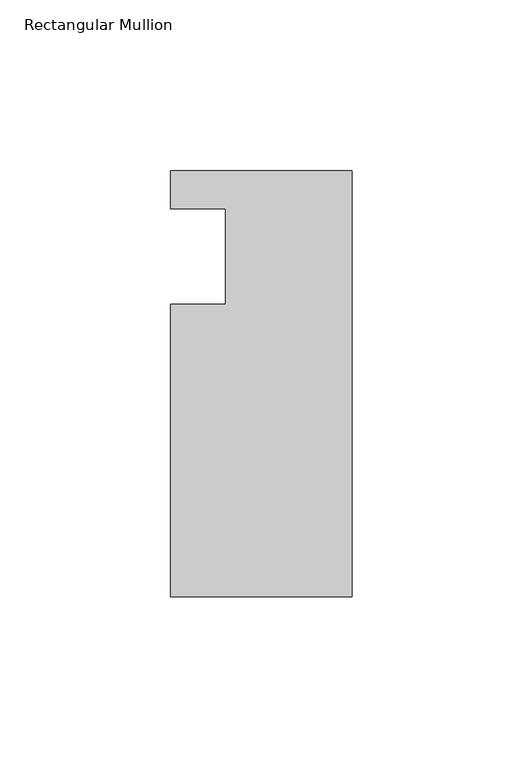
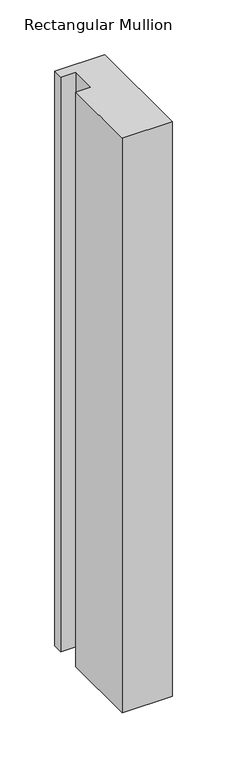
"""IFC4 building model written with IfcOpenShell, lengths in millimetres: member geometry, Rectangular Mullion."""

import ifcopenshell
import ifcopenshell.guid

model = None  # the IFC model being written
_history = None  # IfcOwnerHistory: only IFC2X3 demands one
_inside = {}  # id of a spatial element -> (the spatial element, [elements in it])
_under = {}  # id of a project, library or spatial element -> (it, [spatial elements below it])
_declared = {}  # id of a project -> (the project, [libraries it declares])
_typed = {}  # id of a type object -> (the type object, [elements of that type])
_made_of = {}  # id of a material, layer set ... -> (it, [elements and type objects made of it])


def new_model(schema):
    """Start an empty IFC model of exactly this schema.

    Asked for "IFC4X3", IfcOpenShell would pick the latest addendum, in which some entities
    have other attributes; the version numbers below select the first issue.
    IFC2X3 requires an IfcOwnerHistory on every rooted entity: one is made here for all.
    """
    global model, _history
    if schema == "IFC4X3":
        model = ifcopenshell.file(schema_version=(4, 3, 0, 0))
    else:
        model = ifcopenshell.file(schema=schema)
    _inside.clear()
    _under.clear()
    _declared.clear()
    _typed.clear()
    _made_of.clear()
    _history = None
    if model.schema == "IFC2X3":
        org = make("IfcOrganization", Name="unknown")
        user = make(
            "IfcPersonAndOrganization",
            ThePerson=make("IfcPerson", FamilyName="unknown"),
            TheOrganization=org,
        )
        app = make(
            "IfcApplication",
            ApplicationDeveloper=org,
            Version="unknown",
            ApplicationFullName="unknown",
            ApplicationIdentifier="unknown",
        )
        _history = make(
            "IfcOwnerHistory",
            OwningUser=user,
            OwningApplication=app,
            ChangeAction="ADDED",
            CreationDate=0,
        )
    return model


def make(cls, **values):
    """One entity of the class cls with the attributes given. An attribute that is None is left unset."""
    return model.create_entity(
        cls, **{name: value for name, value in values.items() if value is not None}
    )


def rooted(cls, **values):
    """An entity with a GlobalId (a new one), such as an element, a storey or a relation."""
    return make(cls, GlobalId=ifcopenshell.guid.new(), OwnerHistory=_history, **values)


def si_unit(unit_type, name, prefix=None):
    """IfcSIUnit, for example si_unit("LENGTHUNIT", "METRE", prefix="MILLI")."""
    return make("IfcSIUnit", UnitType=unit_type, Prefix=prefix, Name=name)


def assignment(units):
    """IfcUnitAssignment: the units of a project."""
    return None if units is None else make("IfcUnitAssignment", Units=units)


def point(xyz):
    """IfcCartesianPoint."""
    return None if xyz is None else make("IfcCartesianPoint", Coordinates=xyz)


def direction(xyz):
    """IfcDirection."""
    return None if xyz is None else make("IfcDirection", DirectionRatios=xyz)


def frame(location, z_axis=None, x_axis=None):
    """IfcAxis2Placement3D, a coordinate frame: its origin and axes. An axis left out is left unset."""
    return make(
        "IfcAxis2Placement3D",
        Location=point(location),
        Axis=direction(z_axis),
        RefDirection=direction(x_axis),
    )


def origin():
    """The frame at (0, 0, 0) with its axes left unset."""
    return frame((0.0, 0.0, 0.0))


def place(relative_to, where):
    """IfcLocalPlacement: puts the frame where relative to a parent placement (None: the world)."""
    return make(
        "IfcLocalPlacement", PlacementRelTo=relative_to, RelativePlacement=where
    )


def context(
    kind, dimensions, precision=None, world=None, true_north=None, identifier=None
):
    """IfcGeometricRepresentationContext, for example the 3D "Model" context."""
    return make(
        "IfcGeometricRepresentationContext",
        ContextIdentifier=identifier,
        ContextType=kind,
        CoordinateSpaceDimension=dimensions,
        Precision=precision,
        WorldCoordinateSystem=world,
        TrueNorth=true_north,
    )


def project(units=None, contexts=None):
    """IfcProject with its units and contexts."""
    return rooted(
        "IfcProject",
        Name="project",
        RepresentationContexts=contexts,
        UnitsInContext=assignment(units),
    )


def spatial(cls, under=None, at=None, **own):
    """A site, building, storey or space (cls), placed at a placement, below another one or the project."""
    s = rooted(cls, ObjectPlacement=at, **own)
    if under is not None:
        _under.setdefault(under.id(), (under, []))[1].append(s)
    return s


def polyline(points):
    """IfcPolyline through the points."""
    return make("IfcPolyline", Points=[point(p) for p in points])


def outline(outer, holes=None, kind="AREA"):
    """IfcArbitraryClosedProfileDef: a profile drawn as a closed curve; with holes, ...WithVoids."""
    if holes is None:
        return make("IfcArbitraryClosedProfileDef", ProfileType=kind, OuterCurve=outer)
    return make(
        "IfcArbitraryProfileDefWithVoids",
        ProfileType=kind,
        OuterCurve=outer,
        InnerCurves=holes,
    )


def extrude(swept, where, along, depth):
    """IfcExtrudedAreaSolid: the profile swept, set in the frame where, extruded along a direction by depth."""
    return make(
        "IfcExtrudedAreaSolid",
        SweptArea=swept,
        Position=where,
        ExtrudedDirection=direction(along),
        Depth=depth,
    )


def shape(context_of_items, identifier, shape_type, items):
    """IfcShapeRepresentation: the items that make up one representation, for example the "Body"."""
    return make(
        "IfcShapeRepresentation",
        ContextOfItems=context_of_items,
        RepresentationIdentifier=identifier,
        RepresentationType=shape_type,
        Items=items,
    )


def source(mapping_origin, context_of_items, identifier, shape_type, items):
    """IfcRepresentationMap: a shape defined once, which mapped items show again and again."""
    return make(
        "IfcRepresentationMap",
        MappingOrigin=mapping_origin,
        MappedRepresentation=shape(context_of_items, identifier, shape_type, items),
    )


def transform(
    local_origin,
    x_axis=None,
    y_axis=None,
    z_axis=None,
    scale=None,
    scale2=None,
    scale3=None,
    uniform=True,
):
    """IfcCartesianTransformationOperator3D, or its non-uniform kind. x_axis, y_axis, z_axis: its Axis1, 2, 3."""
    if uniform:
        return make(
            "IfcCartesianTransformationOperator3D",
            Axis1=direction(x_axis),
            Axis2=direction(y_axis),
            LocalOrigin=point(local_origin),
            Scale=scale,
            Axis3=direction(z_axis),
        )
    return make(
        "IfcCartesianTransformationOperator3DnonUniform",
        Axis1=direction(x_axis),
        Axis2=direction(y_axis),
        LocalOrigin=point(local_origin),
        Scale=scale,
        Axis3=direction(z_axis),
        Scale2=scale2,
        Scale3=scale3,
    )


def mapped(mapping_source, mapping_target):
    """IfcMappedItem: shows the shape of a source again, moved by a transform."""
    return make(
        "IfcMappedItem", MappingSource=mapping_source, MappingTarget=mapping_target
    )


def made_of(thing, what):
    """Note that an element or type object is made of a material, layer set ...; save() writes the relation."""
    if what is not None:
        _made_of.setdefault(what.id(), (what, []))[1].append(thing)
    return thing


def element(
    cls,
    number,
    at=None,
    inside=None,
    cuts=None,
    type_object=None,
    material=None,
    context=None,
    identifier="Body",
    shape_type=None,
    held_by="IfcProductDefinitionShape",
    body=None,
    shapes=None,
    **own,
):
    """One element of the class cls, such as IfcWall. Its Tag is "e" and its number.

    at: its placement. inside: the storey or other place that contains it. cuts: it is an
    opening in that element (IfcRelVoidsElement). A single representation is given by context,
    identifier, shape_type and body (its items); several are given by shapes. held_by: the class
    of the entity that holds the representations. save() writes the other relations.
    """
    e = rooted(cls, Tag="e%d" % number, ObjectPlacement=at, **own)
    if body is not None:
        shapes = [shape(context, identifier, shape_type, body)]
    if shapes is not None:
        e.Representation = make(held_by, Representations=shapes)
    if inside is not None:
        _inside.setdefault(inside.id(), (inside, []))[1].append(e)
    if cuts is not None:
        rooted(
            "IfcRelVoidsElement", RelatingBuildingElement=cuts, RelatedOpeningElement=e
        )
    if type_object is not None:
        _typed.setdefault(type_object.id(), (type_object, []))[1].append(e)
    return made_of(e, material)


def aggregate(whole, parts):
    """IfcRelAggregates: a whole, such as a stair, and the parts it consists of."""
    return rooted("IfcRelAggregates", RelatingObject=whole, RelatedObjects=parts)


def save(model, path):
    """Write the relations noted so far, then the file.

    IfcRelAggregates (storeys below a building ...), IfcRelContainedInSpatialStructure (elements
    in a storey), IfcRelDefinesByType, IfcRelAssociatesMaterial and IfcRelDeclares: one each for
    every whole, place, type object, material and project.
    """
    for whole, parts in _under.values():
        aggregate(whole, parts)
    for where, things in _inside.values():
        rooted(
            "IfcRelContainedInSpatialStructure",
            RelatedElements=things,
            RelatingStructure=where,
        )
    for kind, things in _typed.values():
        rooted("IfcRelDefinesByType", RelatedObjects=things, RelatingType=kind)
    for what, things in _made_of.values():
        rooted("IfcRelAssociatesMaterial", RelatedObjects=things, RelatingMaterial=what)
    for by, libraries in _declared.values():
        rooted("IfcRelDeclares", RelatingContext=by, RelatedDefinitions=libraries)
    model.write(path)


def rectangular_mullion_ed739589(model_context):
    return source(origin(), model_context, "Body", "SweptSolid", [
        extrude(outline(polyline([(0.0, 25.0), (0.0, -99.5), (-53.0, -99.5), (-53.0, -14.0), (-37.0, -14.0), (-37.0, 14.0), (-53.0, 14.0), (-53.0, 25.0), (0.0, 25.0)])), frame((0.0, 0.0, -643.909828), z_axis=(0.0, 0.0, 1.0), x_axis=(1.0, 0.0, 0.0)), (0.0, 0.0, 1.0), 643.909828),
    ])


if __name__ == "__main__":
    model = new_model("IFC4")
    model_context = context("Model", 3, world=origin())
    ifc_project = project(units=[si_unit("LENGTHUNIT", "METRE", prefix="MILLI")], contexts=[model_context])
    site = spatial("IfcSite", under=ifc_project)
    building = spatial("IfcBuilding", under=site)
    placement = place(None, origin())
    rectangular_mullion_shape = rectangular_mullion_ed739589(model_context)
    element("IfcMember", 1, ObjectType="Rectangular Mullion", at=placement, inside=building, context=model_context, shape_type="MappedRepresentation", body=[
        mapped(rectangular_mullion_shape, transform((0.0, 0.0, 0.0), x_axis=(1.0, 0.0, 0.0), y_axis=(0.0, 1.0, 0.0), z_axis=(0.0, 0.0, 1.0))),
    ])
    save(model, "model.ifc")
